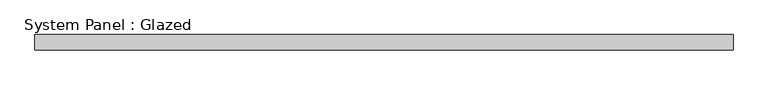
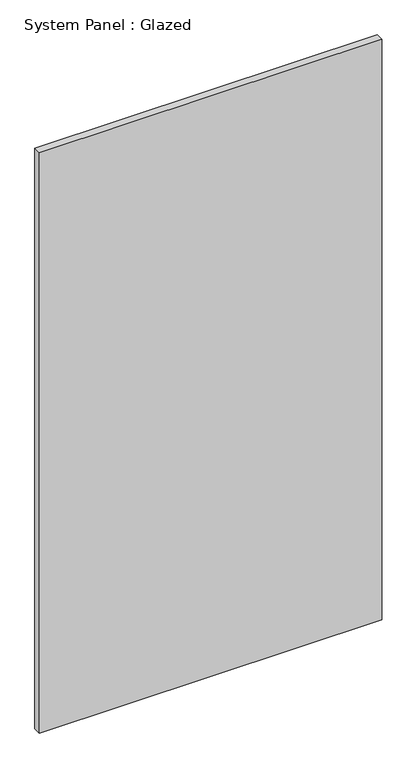
"""IFC4 building model written with IfcOpenShell, lengths in millimetres: plate geometry, System Panel : Glazed."""

from ifc_helpers import new_model, si_unit, origin, origin_with_axes, place, context, project, spatial, polyline, outline, extrude, source, transform, mapped, element, save


def system_panel_glazed_8174f358(model_context):
    return source(origin(), model_context, "Body", "SweptSolid", [
        extrude(outline(polyline([(577.85, -44.45), (-577.85, -44.45), (-577.85, -19.05), (577.85, -19.05), (577.85, -44.45)])), origin_with_axes(), (0.0, 0.0, 1.0), 2070.1),
    ])


if __name__ == "__main__":
    model = new_model("IFC4")
    model_context = context("Model", 3, world=origin())
    ifc_project = project(units=[si_unit("LENGTHUNIT", "METRE", prefix="MILLI")], contexts=[model_context])
    site = spatial("IfcSite", under=ifc_project)
    building = spatial("IfcBuilding", under=site)
    placement = place(None, origin())
    system_panel_glazed_shape = system_panel_glazed_8174f358(model_context)
    element("IfcPlate", 1, ObjectType="System Panel : Glazed", at=placement, inside=building, context=model_context, shape_type="MappedRepresentation", body=[
        mapped(system_panel_glazed_shape, transform((0.0, 0.0, 0.0), x_axis=(1.0, 0.0, 0.0), y_axis=(0.0, 1.0, 0.0), z_axis=(0.0, 0.0, 1.0))),
    ])
    save(model, "model.ifc")
